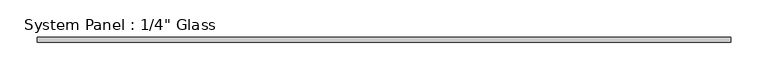
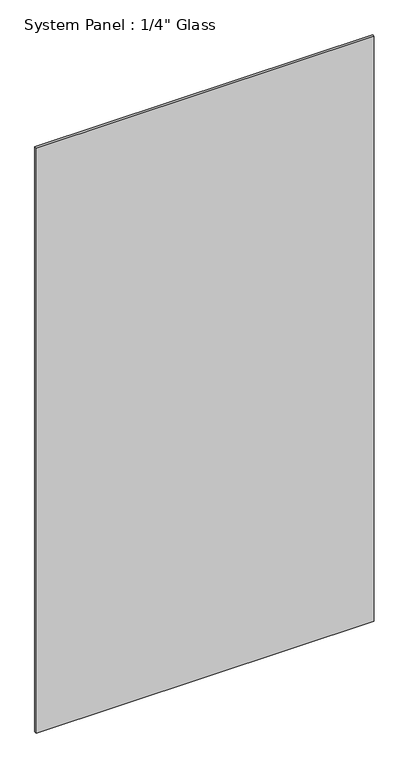
"""IFC4 building model written with IfcOpenShell, lengths in millimetres: plate geometry."""

from ifc_helpers import new_model, si_unit, origin, origin_with_axes, place, context, project, spatial, polyline, outline, extrude, source, transform, mapped, element, save


def plate_392627e2(model_context):
    return source(origin(), model_context, "Body", "SweptSolid", [
        extrude(outline(polyline([(463.55, -3.175), (-463.55, -3.175), (-463.55, 3.175), (463.55, 3.175), (463.55, -3.175)])), origin_with_axes(), (0.0, 0.0, 1.0), 1695.45),
    ])


if __name__ == "__main__":
    model = new_model("IFC4")
    model_context = context("Model", 3, world=origin())
    ifc_project = project(units=[si_unit("LENGTHUNIT", "METRE", prefix="MILLI")], contexts=[model_context])
    site = spatial("IfcSite", under=ifc_project)
    building = spatial("IfcBuilding", under=site)
    placement = place(None, origin())
    plate_shape = plate_392627e2(model_context)
    element("IfcPlate", 1, ObjectType="System Panel : 1/4\" Glass", at=placement, inside=building, context=model_context, shape_type="MappedRepresentation", body=[
        mapped(plate_shape, transform((0.0, 0.0, 0.0), x_axis=(1.0, 0.0, 0.0), y_axis=(0.0, 1.0, 0.0), z_axis=(0.0, 0.0, 1.0))),
    ])
    save(model, "model.ifc")
